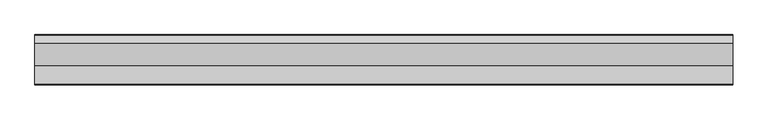
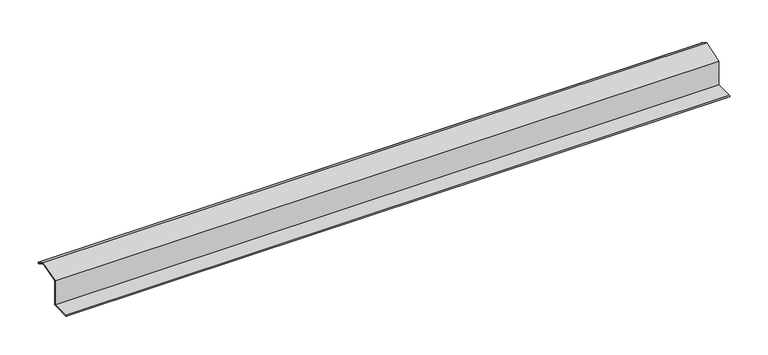
"""IFC4 building model written with IfcOpenShell, lengths in millimetres: proxy geometry."""

from ifc_helpers import new_model, si_unit, point, frame, frame_2d, origin, place, context, project, spatial, polyline, circle_curve, trimmed, segment, composite_curve, outline, extrude, source, transform, mapped, element, save


def generic_models_4b2050b2(model_context):
    return source(origin(), model_context, "Body", "SweptSolid", [
        extrude(outline(composite_curve([segment(polyline([(-71.4596734, 0.8), (-43.9596734, 0.8), (-43.9596734, 38.6708577), (-11.8835216, 48.3981209), (-0.437495, 41.7897544)]), True, "CONTINUOUS"), segment(trimmed(circle_curve(frame_2d((-0.87499, 41.0319908)), 0.87499), [point((-0.437495, 41.7897544))], [point((-1.312485, 40.2742272))], False, "CARTESIAN"), True, "CONTINUOUS"), segment(polyline([(-1.312485, 40.2742272), (-9.9757366, 45.2759579), (-9.5757366, 45.9687782), (-0.9154826, 40.9687782), (-11.9851798, 47.531316), (-43.1596734, 38.0774854), (-43.1596734, 0.0), (-71.0497177, 0.0), (-61.4596734, -0.15), (-61.4596734, -0.95), (-71.4596734, -0.95)]), True, "CONTINUOUS"), segment(trimmed(circle_curve(frame_2d((-71.4596734, -0.075)), 0.875), [point((-71.4596734, -0.95))], [point((-71.4596734, 0.8))], False, "CARTESIAN"), True, "CONTINUOUS")], self_intersect=False)), frame((0.0, 0.0, 0.0), z_axis=(1.0, 0.0, 0.0), x_axis=(0.0, 1.0, 0.0)), (0.0, 0.0, 1.0), 1000.0),
    ])


if __name__ == "__main__":
    model = new_model("IFC4")
    model_context = context("Model", 3, world=origin())
    ifc_project = project(units=[si_unit("LENGTHUNIT", "METRE", prefix="MILLI")], contexts=[model_context])
    site = spatial("IfcSite", under=ifc_project)
    building = spatial("IfcBuilding", under=site)
    placement = place(None, origin())
    generic_models_shape = generic_models_4b2050b2(model_context)
    element("IfcBuildingElementProxy", 1, Name="Generic Models", at=placement, inside=building, context=model_context, shape_type="MappedRepresentation", body=[
        mapped(generic_models_shape, transform((0.0, 0.0, 0.0), x_axis=(1.0, 0.0, 0.0), y_axis=(0.0, 1.0, 0.0), z_axis=(0.0, 0.0, 1.0))),
    ])
    save(model, "model.ifc")
